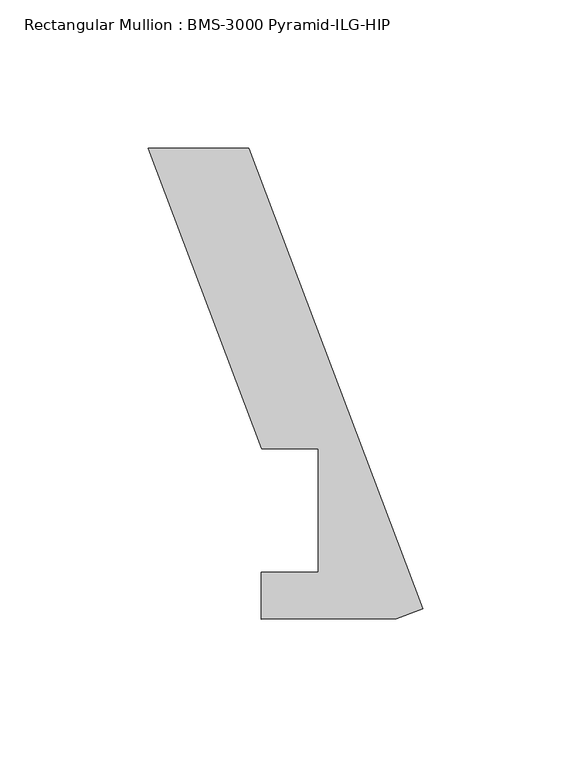
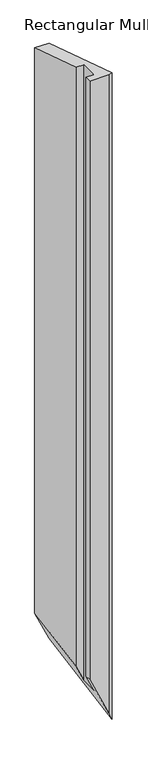
"""IFC4 building model written with IfcOpenShell, lengths in millimetres: member geometry, Rectangular Mullion : BMS-3000 Pyramid-ILG-HIP."""

from ifc_helpers import new_model, si_unit, origin, place, context, project, spatial, faceted_brep, source, transform, mapped, element, save


def rectangular_mullion_bms_3000_pyramid_ilg_hip_239c9a0e(model_context):
    return source(origin(), model_context, "Body", "Brep", [
        faceted_brep([(-92.7277404, 155.5739504, 0.0), (-58.7866398, 155.5739504, 0.0), (-58.7866398, 155.5739504, -1484.1718611), (-92.7277404, 155.5739504, -1409.87815), (-54.3366963, 53.975, 0.0), (-54.3366963, 53.975, -1493.9123472), (-35.2866963, 53.975, 0.0), (-35.2866963, 53.975, -1535.6109124), (-35.2866963, 12.3790627, 0.0), (-35.2866963, 12.3790627, -1535.6109124), (-54.4267253, 12.2855261, 0.0), (-54.4267253, 12.2855261, -1493.7152825), (-54.4267253, -3.5150841, 0.0), (-54.4267253, -3.5150841, -1493.7152825), (-8.9101044, -3.3672255, 0.0), (-8.9101044, -3.3672255, -1593.3466623), (0.0, -0.0003776, 0.0), (0.0, -0.0003776, -1612.8499992)], [[[0, 1, 2, 3]], [[4, 0, 3, 5]], [[6, 4, 5, 7]], [[8, 6, 7, 9]], [[10, 8, 9, 11]], [[12, 10, 11, 13]], [[14, 12, 13, 15]], [[16, 14, 15, 17]], [[1, 16, 17, 2]], [[1, 0, 4, 6, 8, 10, 12, 14, 16]], [[2, 17, 15, 13, 11, 9, 7, 5, 3]]]),
    ])


if __name__ == "__main__":
    model = new_model("IFC4")
    model_context = context("Model", 3, world=origin())
    ifc_project = project(units=[si_unit("LENGTHUNIT", "METRE", prefix="MILLI")], contexts=[model_context])
    site = spatial("IfcSite", under=ifc_project)
    building = spatial("IfcBuilding", under=site)
    placement = place(None, origin())
    rectangular_mullion_bms_3000_pyramid_ilg_hip_shape = rectangular_mullion_bms_3000_pyramid_ilg_hip_239c9a0e(model_context)
    element("IfcMember", 1, ObjectType="Rectangular Mullion : BMS-3000 Pyramid-ILG-HIP", at=placement, inside=building, context=model_context, shape_type="MappedRepresentation", body=[
        mapped(rectangular_mullion_bms_3000_pyramid_ilg_hip_shape, transform((0.0, 0.0, 0.0), x_axis=(1.0, 0.0, 0.0), y_axis=(0.0, 1.0, 0.0), z_axis=(0.0, 0.0, 1.0))),
    ])
    save(model, "model.ifc")
